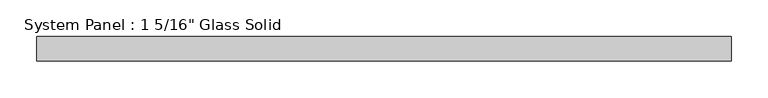
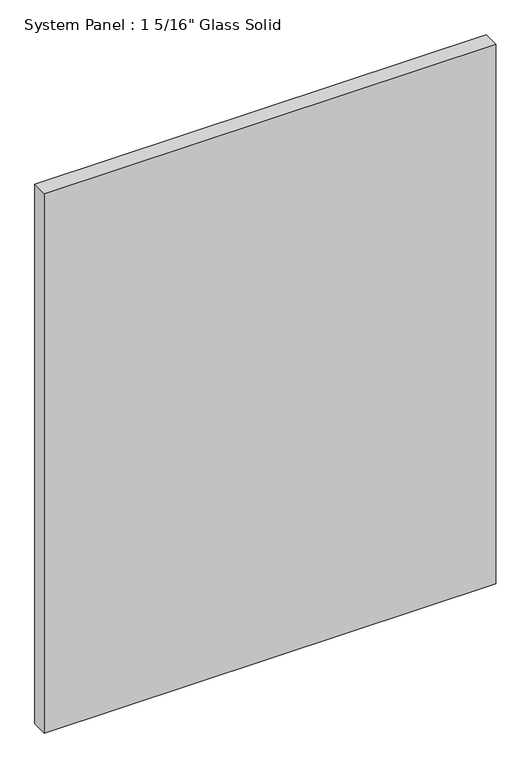
"""IFC4 building model written with IfcOpenShell, lengths in millimetres: plate geometry."""

from ifc_helpers import new_model, si_unit, origin, origin_with_axes, place, context, project, spatial, polyline, outline, extrude, source, transform, mapped, element, save


def plate_ce2a9405(model_context):
    return source(origin(), model_context, "Body", "SweptSolid", [
        extrude(outline(polyline([(472.4952987, -16.66875), (-472.4952987, -16.66875), (-472.4952987, 16.66875), (472.4952987, 16.66875), (472.4952987, -16.66875)])), origin_with_axes(), (0.0, 0.0, 1.0), 1193.8017704),
    ])


if __name__ == "__main__":
    model = new_model("IFC4")
    model_context = context("Model", 3, world=origin())
    ifc_project = project(units=[si_unit("LENGTHUNIT", "METRE", prefix="MILLI")], contexts=[model_context])
    site = spatial("IfcSite", under=ifc_project)
    building = spatial("IfcBuilding", under=site)
    placement = place(None, origin())
    plate_shape = plate_ce2a9405(model_context)
    element("IfcPlate", 1, ObjectType="System Panel : 1 5/16\" Glass Solid", at=placement, inside=building, context=model_context, shape_type="MappedRepresentation", body=[
        mapped(plate_shape, transform((0.0, 0.0, 0.0), x_axis=(1.0, 0.0, 0.0), y_axis=(0.0, 1.0, 0.0), z_axis=(0.0, 0.0, 1.0))),
    ])
    save(model, "model.ifc")
